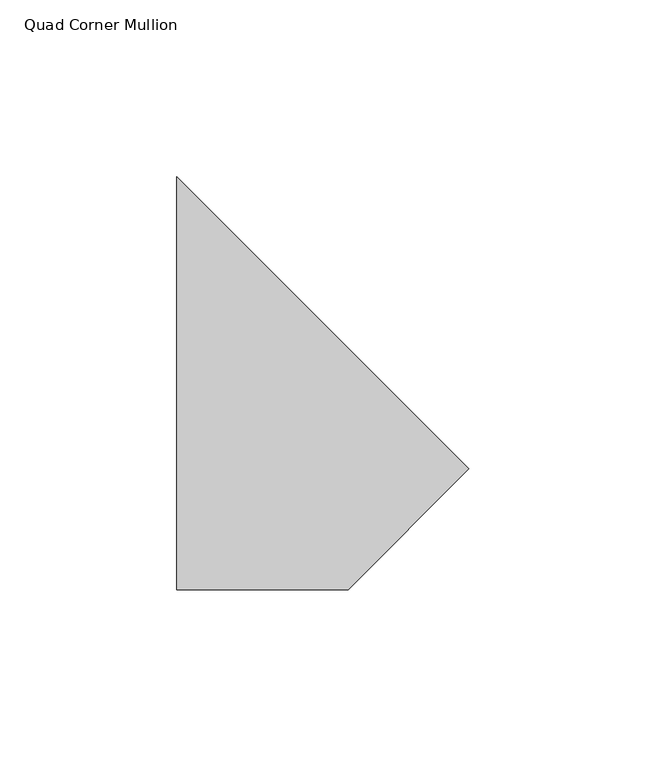
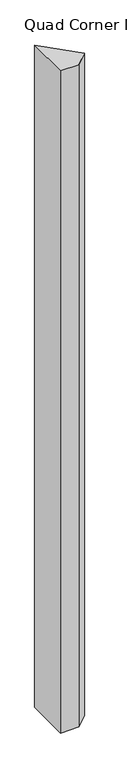
"""IFC4 building model written with IfcOpenShell, lengths in millimetres: member geometry, Quad Corner Mullion."""

from ifc_helpers import new_model, si_unit, frame, origin, place, context, project, spatial, polyline, outline, extrude, source, transform, mapped, element, save


def quad_corner_mullion_d36813fa(model_context):
    return source(origin(), model_context, "Body", "SweptSolid", [
        extrude(outline(polyline([(51.9293757, -8.6873531), (17.7542288, -42.8625), (-30.5767274, -42.8625), (-30.5767274, 73.81875), (51.9293757, -8.6873531)])), frame((0.0, 0.0, -1828.8), z_axis=(0.0, 0.0, 1.0), x_axis=(1.0, 0.0, 0.0)), (0.0, 0.0, 1.0), 1828.8),
    ])


if __name__ == "__main__":
    model = new_model("IFC4")
    model_context = context("Model", 3, world=origin())
    ifc_project = project(units=[si_unit("LENGTHUNIT", "METRE", prefix="MILLI")], contexts=[model_context])
    site = spatial("IfcSite", under=ifc_project)
    building = spatial("IfcBuilding", under=site)
    placement = place(None, origin())
    quad_corner_mullion_shape = quad_corner_mullion_d36813fa(model_context)
    element("IfcMember", 1, ObjectType="Quad Corner Mullion", at=placement, inside=building, context=model_context, shape_type="MappedRepresentation", body=[
        mapped(quad_corner_mullion_shape, transform((0.0, 0.0, 0.0), x_axis=(1.0, 0.0, 0.0), y_axis=(0.0, 1.0, 0.0), z_axis=(0.0, 0.0, 1.0))),
    ])
    save(model, "model.ifc")
